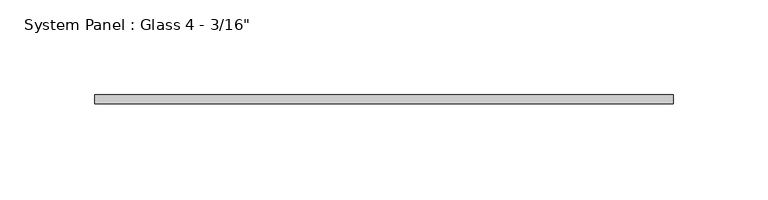
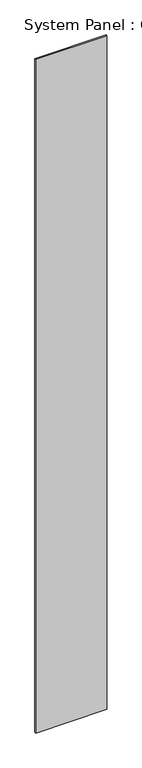
"""IFC4 building model written with IfcOpenShell, lengths in millimetres: plate geometry."""

import ifcopenshell
import ifcopenshell.guid

model = None  # the IFC model being written
_history = None  # IfcOwnerHistory: only IFC2X3 demands one
_inside = {}  # id of a spatial element -> (the spatial element, [elements in it])
_under = {}  # id of a project, library or spatial element -> (it, [spatial elements below it])
_declared = {}  # id of a project -> (the project, [libraries it declares])
_typed = {}  # id of a type object -> (the type object, [elements of that type])
_made_of = {}  # id of a material, layer set ... -> (it, [elements and type objects made of it])


def new_model(schema):
    """Start an empty IFC model of exactly this schema.

    Asked for "IFC4X3", IfcOpenShell would pick the latest addendum, in which some entities
    have other attributes; the version numbers below select the first issue.
    IFC2X3 requires an IfcOwnerHistory on every rooted entity: one is made here for all.
    """
    global model, _history
    if schema == "IFC4X3":
        model = ifcopenshell.file(schema_version=(4, 3, 0, 0))
    else:
        model = ifcopenshell.file(schema=schema)
    _inside.clear()
    _under.clear()
    _declared.clear()
    _typed.clear()
    _made_of.clear()
    _history = None
    if model.schema == "IFC2X3":
        org = make("IfcOrganization", Name="unknown")
        user = make(
            "IfcPersonAndOrganization",
            ThePerson=make("IfcPerson", FamilyName="unknown"),
            TheOrganization=org,
        )
        app = make(
            "IfcApplication",
            ApplicationDeveloper=org,
            Version="unknown",
            ApplicationFullName="unknown",
            ApplicationIdentifier="unknown",
        )
        _history = make(
            "IfcOwnerHistory",
            OwningUser=user,
            OwningApplication=app,
            ChangeAction="ADDED",
            CreationDate=0,
        )
    return model


def make(cls, **values):
    """One entity of the class cls with the attributes given. An attribute that is None is left unset."""
    return model.create_entity(
        cls, **{name: value for name, value in values.items() if value is not None}
    )


def rooted(cls, **values):
    """An entity with a GlobalId (a new one), such as an element, a storey or a relation."""
    return make(cls, GlobalId=ifcopenshell.guid.new(), OwnerHistory=_history, **values)


def si_unit(unit_type, name, prefix=None):
    """IfcSIUnit, for example si_unit("LENGTHUNIT", "METRE", prefix="MILLI")."""
    return make("IfcSIUnit", UnitType=unit_type, Prefix=prefix, Name=name)


def assignment(units):
    """IfcUnitAssignment: the units of a project."""
    return None if units is None else make("IfcUnitAssignment", Units=units)


def point(xyz):
    """IfcCartesianPoint."""
    return None if xyz is None else make("IfcCartesianPoint", Coordinates=xyz)


def direction(xyz):
    """IfcDirection."""
    return None if xyz is None else make("IfcDirection", DirectionRatios=xyz)


def frame(location, z_axis=None, x_axis=None):
    """IfcAxis2Placement3D, a coordinate frame: its origin and axes. An axis left out is left unset."""
    return make(
        "IfcAxis2Placement3D",
        Location=point(location),
        Axis=direction(z_axis),
        RefDirection=direction(x_axis),
    )


def origin():
    """The frame at (0, 0, 0) with its axes left unset."""
    return frame((0.0, 0.0, 0.0))


def origin_with_axes():
    """The frame at (0, 0, 0) with the z axis (0, 0, 1) and the x axis (1, 0, 0) written out."""
    return frame((0.0, 0.0, 0.0), z_axis=(0.0, 0.0, 1.0), x_axis=(1.0, 0.0, 0.0))


def place(relative_to, where):
    """IfcLocalPlacement: puts the frame where relative to a parent placement (None: the world)."""
    return make(
        "IfcLocalPlacement", PlacementRelTo=relative_to, RelativePlacement=where
    )


def context(
    kind, dimensions, precision=None, world=None, true_north=None, identifier=None
):
    """IfcGeometricRepresentationContext, for example the 3D "Model" context."""
    return make(
        "IfcGeometricRepresentationContext",
        ContextIdentifier=identifier,
        ContextType=kind,
        CoordinateSpaceDimension=dimensions,
        Precision=precision,
        WorldCoordinateSystem=world,
        TrueNorth=true_north,
    )


def project(units=None, contexts=None):
    """IfcProject with its units and contexts."""
    return rooted(
        "IfcProject",
        Name="project",
        RepresentationContexts=contexts,
        UnitsInContext=assignment(units),
    )


def spatial(cls, under=None, at=None, **own):
    """A site, building, storey or space (cls), placed at a placement, below another one or the project."""
    s = rooted(cls, ObjectPlacement=at, **own)
    if under is not None:
        _under.setdefault(under.id(), (under, []))[1].append(s)
    return s


def polyline(points):
    """IfcPolyline through the points."""
    return make("IfcPolyline", Points=[point(p) for p in points])


def outline(outer, holes=None, kind="AREA"):
    """IfcArbitraryClosedProfileDef: a profile drawn as a closed curve; with holes, ...WithVoids."""
    if holes is None:
        return make("IfcArbitraryClosedProfileDef", ProfileType=kind, OuterCurve=outer)
    return make(
        "IfcArbitraryProfileDefWithVoids",
        ProfileType=kind,
        OuterCurve=outer,
        InnerCurves=holes,
    )


def extrude(swept, where, along, depth):
    """IfcExtrudedAreaSolid: the profile swept, set in the frame where, extruded along a direction by depth."""
    return make(
        "IfcExtrudedAreaSolid",
        SweptArea=swept,
        Position=where,
        ExtrudedDirection=direction(along),
        Depth=depth,
    )


def shape(context_of_items, identifier, shape_type, items):
    """IfcShapeRepresentation: the items that make up one representation, for example the "Body"."""
    return make(
        "IfcShapeRepresentation",
        ContextOfItems=context_of_items,
        RepresentationIdentifier=identifier,
        RepresentationType=shape_type,
        Items=items,
    )


def source(mapping_origin, context_of_items, identifier, shape_type, items):
    """IfcRepresentationMap: a shape defined once, which mapped items show again and again."""
    return make(
        "IfcRepresentationMap",
        MappingOrigin=mapping_origin,
        MappedRepresentation=shape(context_of_items, identifier, shape_type, items),
    )


def transform(
    local_origin,
    x_axis=None,
    y_axis=None,
    z_axis=None,
    scale=None,
    scale2=None,
    scale3=None,
    uniform=True,
):
    """IfcCartesianTransformationOperator3D, or its non-uniform kind. x_axis, y_axis, z_axis: its Axis1, 2, 3."""
    if uniform:
        return make(
            "IfcCartesianTransformationOperator3D",
            Axis1=direction(x_axis),
            Axis2=direction(y_axis),
            LocalOrigin=point(local_origin),
            Scale=scale,
            Axis3=direction(z_axis),
        )
    return make(
        "IfcCartesianTransformationOperator3DnonUniform",
        Axis1=direction(x_axis),
        Axis2=direction(y_axis),
        LocalOrigin=point(local_origin),
        Scale=scale,
        Axis3=direction(z_axis),
        Scale2=scale2,
        Scale3=scale3,
    )


def mapped(mapping_source, mapping_target):
    """IfcMappedItem: shows the shape of a source again, moved by a transform."""
    return make(
        "IfcMappedItem", MappingSource=mapping_source, MappingTarget=mapping_target
    )


def made_of(thing, what):
    """Note that an element or type object is made of a material, layer set ...; save() writes the relation."""
    if what is not None:
        _made_of.setdefault(what.id(), (what, []))[1].append(thing)
    return thing


def element(
    cls,
    number,
    at=None,
    inside=None,
    cuts=None,
    type_object=None,
    material=None,
    context=None,
    identifier="Body",
    shape_type=None,
    held_by="IfcProductDefinitionShape",
    body=None,
    shapes=None,
    **own,
):
    """One element of the class cls, such as IfcWall. Its Tag is "e" and its number.

    at: its placement. inside: the storey or other place that contains it. cuts: it is an
    opening in that element (IfcRelVoidsElement). A single representation is given by context,
    identifier, shape_type and body (its items); several are given by shapes. held_by: the class
    of the entity that holds the representations. save() writes the other relations.
    """
    e = rooted(cls, Tag="e%d" % number, ObjectPlacement=at, **own)
    if body is not None:
        shapes = [shape(context, identifier, shape_type, body)]
    if shapes is not None:
        e.Representation = make(held_by, Representations=shapes)
    if inside is not None:
        _inside.setdefault(inside.id(), (inside, []))[1].append(e)
    if cuts is not None:
        rooted(
            "IfcRelVoidsElement", RelatingBuildingElement=cuts, RelatedOpeningElement=e
        )
    if type_object is not None:
        _typed.setdefault(type_object.id(), (type_object, []))[1].append(e)
    return made_of(e, material)


def aggregate(whole, parts):
    """IfcRelAggregates: a whole, such as a stair, and the parts it consists of."""
    return rooted("IfcRelAggregates", RelatingObject=whole, RelatedObjects=parts)


def save(model, path):
    """Write the relations noted so far, then the file.

    IfcRelAggregates (storeys below a building ...), IfcRelContainedInSpatialStructure (elements
    in a storey), IfcRelDefinesByType, IfcRelAssociatesMaterial and IfcRelDeclares: one each for
    every whole, place, type object, material and project.
    """
    for whole, parts in _under.values():
        aggregate(whole, parts)
    for where, things in _inside.values():
        rooted(
            "IfcRelContainedInSpatialStructure",
            RelatedElements=things,
            RelatingStructure=where,
        )
    for kind, things in _typed.values():
        rooted("IfcRelDefinesByType", RelatedObjects=things, RelatingType=kind)
    for what, things in _made_of.values():
        rooted("IfcRelAssociatesMaterial", RelatedObjects=things, RelatingMaterial=what)
    for by, libraries in _declared.values():
        rooted("IfcRelDeclares", RelatingContext=by, RelatedDefinitions=libraries)
    model.write(path)


def plate_acae03a8(model_context):
    return source(origin(), model_context, "Body", "SweptSolid", [
        extrude(outline(polyline([(152.4, -5.55625), (-152.4, -5.55625), (-152.4, -0.79375), (152.4, -0.79375), (152.4, -5.55625)])), origin_with_axes(), (0.0, 0.0, 1.0), 3048.0),
    ])


if __name__ == "__main__":
    model = new_model("IFC4")
    model_context = context("Model", 3, world=origin())
    ifc_project = project(units=[si_unit("LENGTHUNIT", "METRE", prefix="MILLI")], contexts=[model_context])
    site = spatial("IfcSite", under=ifc_project)
    building = spatial("IfcBuilding", under=site)
    placement = place(None, origin())
    plate_shape = plate_acae03a8(model_context)
    element("IfcPlate", 1, ObjectType="System Panel : Glass 4 - 3/16\"", at=placement, inside=building, context=model_context, shape_type="MappedRepresentation", body=[
        mapped(plate_shape, transform((0.0, 0.0, 0.0), x_axis=(1.0, 0.0, 0.0), y_axis=(0.0, 1.0, 0.0), z_axis=(0.0, 0.0, 1.0))),
    ])
    save(model, "model.ifc")
